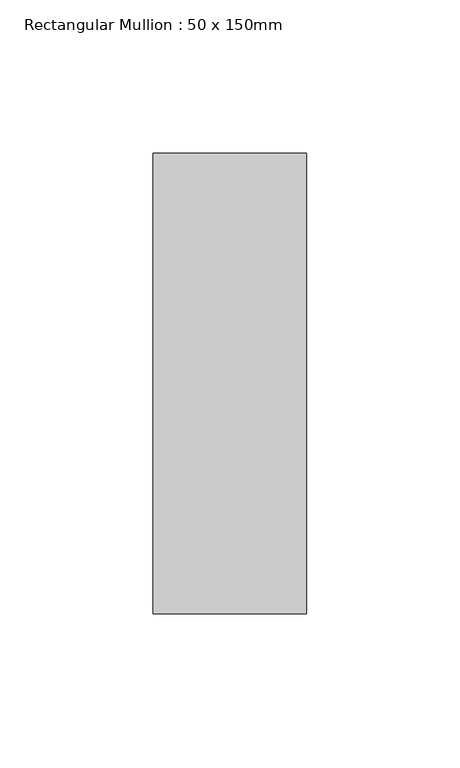
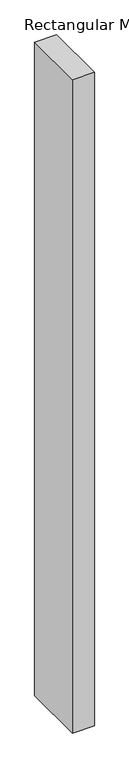
"""IFC4 building model written with IfcOpenShell, lengths in millimetres: member geometry, Rectangular Mullion : 50 x 150mm."""

import ifcopenshell
import ifcopenshell.guid

model = None  # the IFC model being written
_history = None  # IfcOwnerHistory: only IFC2X3 demands one
_inside = {}  # id of a spatial element -> (the spatial element, [elements in it])
_under = {}  # id of a project, library or spatial element -> (it, [spatial elements below it])
_declared = {}  # id of a project -> (the project, [libraries it declares])
_typed = {}  # id of a type object -> (the type object, [elements of that type])
_made_of = {}  # id of a material, layer set ... -> (it, [elements and type objects made of it])


def new_model(schema):
    """Start an empty IFC model of exactly this schema.

    Asked for "IFC4X3", IfcOpenShell would pick the latest addendum, in which some entities
    have other attributes; the version numbers below select the first issue.
    IFC2X3 requires an IfcOwnerHistory on every rooted entity: one is made here for all.
    """
    global model, _history
    if schema == "IFC4X3":
        model = ifcopenshell.file(schema_version=(4, 3, 0, 0))
    else:
        model = ifcopenshell.file(schema=schema)
    _inside.clear()
    _under.clear()
    _declared.clear()
    _typed.clear()
    _made_of.clear()
    _history = None
    if model.schema == "IFC2X3":
        org = make("IfcOrganization", Name="unknown")
        user = make(
            "IfcPersonAndOrganization",
            ThePerson=make("IfcPerson", FamilyName="unknown"),
            TheOrganization=org,
        )
        app = make(
            "IfcApplication",
            ApplicationDeveloper=org,
            Version="unknown",
            ApplicationFullName="unknown",
            ApplicationIdentifier="unknown",
        )
        _history = make(
            "IfcOwnerHistory",
            OwningUser=user,
            OwningApplication=app,
            ChangeAction="ADDED",
            CreationDate=0,
        )
    return model


def make(cls, **values):
    """One entity of the class cls with the attributes given. An attribute that is None is left unset."""
    return model.create_entity(
        cls, **{name: value for name, value in values.items() if value is not None}
    )


def rooted(cls, **values):
    """An entity with a GlobalId (a new one), such as an element, a storey or a relation."""
    return make(cls, GlobalId=ifcopenshell.guid.new(), OwnerHistory=_history, **values)


def si_unit(unit_type, name, prefix=None):
    """IfcSIUnit, for example si_unit("LENGTHUNIT", "METRE", prefix="MILLI")."""
    return make("IfcSIUnit", UnitType=unit_type, Prefix=prefix, Name=name)


def assignment(units):
    """IfcUnitAssignment: the units of a project."""
    return None if units is None else make("IfcUnitAssignment", Units=units)


def point(xyz):
    """IfcCartesianPoint."""
    return None if xyz is None else make("IfcCartesianPoint", Coordinates=xyz)


def direction(xyz):
    """IfcDirection."""
    return None if xyz is None else make("IfcDirection", DirectionRatios=xyz)


def frame(location, z_axis=None, x_axis=None):
    """IfcAxis2Placement3D, a coordinate frame: its origin and axes. An axis left out is left unset."""
    return make(
        "IfcAxis2Placement3D",
        Location=point(location),
        Axis=direction(z_axis),
        RefDirection=direction(x_axis),
    )


def origin():
    """The frame at (0, 0, 0) with its axes left unset."""
    return frame((0.0, 0.0, 0.0))


def place(relative_to, where):
    """IfcLocalPlacement: puts the frame where relative to a parent placement (None: the world)."""
    return make(
        "IfcLocalPlacement", PlacementRelTo=relative_to, RelativePlacement=where
    )


def context(
    kind, dimensions, precision=None, world=None, true_north=None, identifier=None
):
    """IfcGeometricRepresentationContext, for example the 3D "Model" context."""
    return make(
        "IfcGeometricRepresentationContext",
        ContextIdentifier=identifier,
        ContextType=kind,
        CoordinateSpaceDimension=dimensions,
        Precision=precision,
        WorldCoordinateSystem=world,
        TrueNorth=true_north,
    )


def project(units=None, contexts=None):
    """IfcProject with its units and contexts."""
    return rooted(
        "IfcProject",
        Name="project",
        RepresentationContexts=contexts,
        UnitsInContext=assignment(units),
    )


def spatial(cls, under=None, at=None, **own):
    """A site, building, storey or space (cls), placed at a placement, below another one or the project."""
    s = rooted(cls, ObjectPlacement=at, **own)
    if under is not None:
        _under.setdefault(under.id(), (under, []))[1].append(s)
    return s


def polyline(points):
    """IfcPolyline through the points."""
    return make("IfcPolyline", Points=[point(p) for p in points])


def outline(outer, holes=None, kind="AREA"):
    """IfcArbitraryClosedProfileDef: a profile drawn as a closed curve; with holes, ...WithVoids."""
    if holes is None:
        return make("IfcArbitraryClosedProfileDef", ProfileType=kind, OuterCurve=outer)
    return make(
        "IfcArbitraryProfileDefWithVoids",
        ProfileType=kind,
        OuterCurve=outer,
        InnerCurves=holes,
    )


def extrude(swept, where, along, depth):
    """IfcExtrudedAreaSolid: the profile swept, set in the frame where, extruded along a direction by depth."""
    return make(
        "IfcExtrudedAreaSolid",
        SweptArea=swept,
        Position=where,
        ExtrudedDirection=direction(along),
        Depth=depth,
    )


def shape(context_of_items, identifier, shape_type, items):
    """IfcShapeRepresentation: the items that make up one representation, for example the "Body"."""
    return make(
        "IfcShapeRepresentation",
        ContextOfItems=context_of_items,
        RepresentationIdentifier=identifier,
        RepresentationType=shape_type,
        Items=items,
    )


def source(mapping_origin, context_of_items, identifier, shape_type, items):
    """IfcRepresentationMap: a shape defined once, which mapped items show again and again."""
    return make(
        "IfcRepresentationMap",
        MappingOrigin=mapping_origin,
        MappedRepresentation=shape(context_of_items, identifier, shape_type, items),
    )


def transform(
    local_origin,
    x_axis=None,
    y_axis=None,
    z_axis=None,
    scale=None,
    scale2=None,
    scale3=None,
    uniform=True,
):
    """IfcCartesianTransformationOperator3D, or its non-uniform kind. x_axis, y_axis, z_axis: its Axis1, 2, 3."""
    if uniform:
        return make(
            "IfcCartesianTransformationOperator3D",
            Axis1=direction(x_axis),
            Axis2=direction(y_axis),
            LocalOrigin=point(local_origin),
            Scale=scale,
            Axis3=direction(z_axis),
        )
    return make(
        "IfcCartesianTransformationOperator3DnonUniform",
        Axis1=direction(x_axis),
        Axis2=direction(y_axis),
        LocalOrigin=point(local_origin),
        Scale=scale,
        Axis3=direction(z_axis),
        Scale2=scale2,
        Scale3=scale3,
    )


def mapped(mapping_source, mapping_target):
    """IfcMappedItem: shows the shape of a source again, moved by a transform."""
    return make(
        "IfcMappedItem", MappingSource=mapping_source, MappingTarget=mapping_target
    )


def made_of(thing, what):
    """Note that an element or type object is made of a material, layer set ...; save() writes the relation."""
    if what is not None:
        _made_of.setdefault(what.id(), (what, []))[1].append(thing)
    return thing


def element(
    cls,
    number,
    at=None,
    inside=None,
    cuts=None,
    type_object=None,
    material=None,
    context=None,
    identifier="Body",
    shape_type=None,
    held_by="IfcProductDefinitionShape",
    body=None,
    shapes=None,
    **own,
):
    """One element of the class cls, such as IfcWall. Its Tag is "e" and its number.

    at: its placement. inside: the storey or other place that contains it. cuts: it is an
    opening in that element (IfcRelVoidsElement). A single representation is given by context,
    identifier, shape_type and body (its items); several are given by shapes. held_by: the class
    of the entity that holds the representations. save() writes the other relations.
    """
    e = rooted(cls, Tag="e%d" % number, ObjectPlacement=at, **own)
    if body is not None:
        shapes = [shape(context, identifier, shape_type, body)]
    if shapes is not None:
        e.Representation = make(held_by, Representations=shapes)
    if inside is not None:
        _inside.setdefault(inside.id(), (inside, []))[1].append(e)
    if cuts is not None:
        rooted(
            "IfcRelVoidsElement", RelatingBuildingElement=cuts, RelatedOpeningElement=e
        )
    if type_object is not None:
        _typed.setdefault(type_object.id(), (type_object, []))[1].append(e)
    return made_of(e, material)


def aggregate(whole, parts):
    """IfcRelAggregates: a whole, such as a stair, and the parts it consists of."""
    return rooted("IfcRelAggregates", RelatingObject=whole, RelatedObjects=parts)


def save(model, path):
    """Write the relations noted so far, then the file.

    IfcRelAggregates (storeys below a building ...), IfcRelContainedInSpatialStructure (elements
    in a storey), IfcRelDefinesByType, IfcRelAssociatesMaterial and IfcRelDeclares: one each for
    every whole, place, type object, material and project.
    """
    for whole, parts in _under.values():
        aggregate(whole, parts)
    for where, things in _inside.values():
        rooted(
            "IfcRelContainedInSpatialStructure",
            RelatedElements=things,
            RelatingStructure=where,
        )
    for kind, things in _typed.values():
        rooted("IfcRelDefinesByType", RelatedObjects=things, RelatingType=kind)
    for what, things in _made_of.values():
        rooted("IfcRelAssociatesMaterial", RelatedObjects=things, RelatingMaterial=what)
    for by, libraries in _declared.values():
        rooted("IfcRelDeclares", RelatingContext=by, RelatedDefinitions=libraries)
    model.write(path)


def rectangular_mullion_50_x_150mm_382f0bb5(model_context):
    return source(origin(), model_context, "Body", "SweptSolid", [
        extrude(outline(polyline([(0.0, 75.0), (0.0, -75.0), (-50.0, -75.0), (-50.0, 75.0), (0.0, 75.0)])), frame((0.0, 0.0, -1581.050088), z_axis=(0.0, 0.0, 1.0), x_axis=(1.0, 0.0, 0.0)), (0.0, 0.0, 1.0), 1581.050088),
    ])


if __name__ == "__main__":
    model = new_model("IFC4")
    model_context = context("Model", 3, world=origin())
    ifc_project = project(units=[si_unit("LENGTHUNIT", "METRE", prefix="MILLI")], contexts=[model_context])
    site = spatial("IfcSite", under=ifc_project)
    building = spatial("IfcBuilding", under=site)
    placement = place(None, origin())
    rectangular_mullion_50_x_150mm_shape = rectangular_mullion_50_x_150mm_382f0bb5(model_context)
    element("IfcMember", 1, ObjectType="Rectangular Mullion : 50 x 150mm", at=placement, inside=building, context=model_context, shape_type="MappedRepresentation", body=[
        mapped(rectangular_mullion_50_x_150mm_shape, transform((0.0, 0.0, 0.0), x_axis=(1.0, 0.0, 0.0), y_axis=(0.0, 1.0, 0.0), z_axis=(0.0, 0.0, 1.0))),
    ])
    save(model, "model.ifc")
